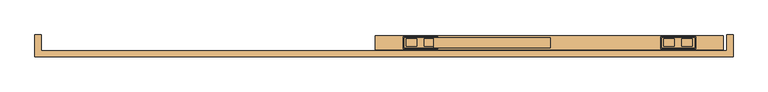
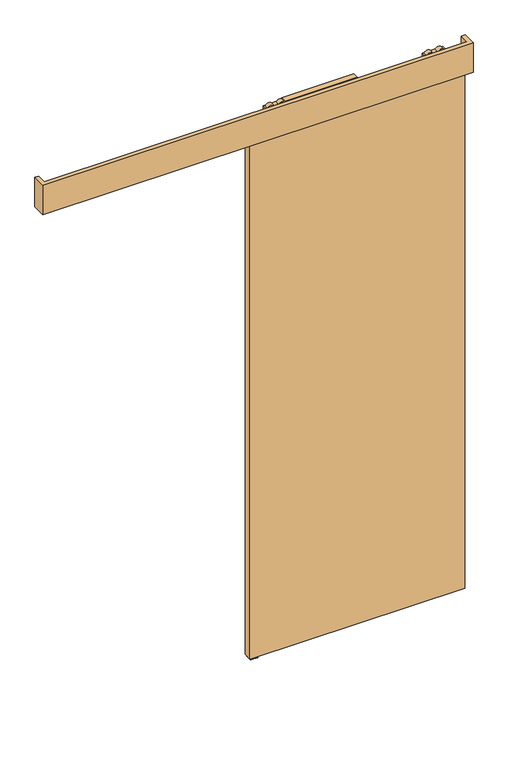
"""IFC4 building model written with IfcOpenShell, lengths in millimetres: door geometry."""

from ifc_helpers import new_model, si_unit, point, frame, frame_2d, origin, place, context, project, spatial, polyline, circle_curve, trimmed, segment, composite_curve, outline, extrude, source, transform, mapped, element, save
from ifc_brep_helpers import plane_surface, cylinder_surface, advanced_brep


def door_c511d9e0(model_context):
    return source(origin(), model_context, "Body", "SolidModel", [
        extrude(outline(polyline([(2696.7, 550.45), (2696.7, 214.75), (2669.7, 214.75), (2669.7, 220.35), (2694.7, 220.35), (2694.7, 225.0), (2664.6, 225.0), (2664.6, 550.45), (2696.7, 550.45)])), frame((0.0, -14.7425737, 0.0), z_axis=(0.0, 1.0, 0.0), x_axis=(0.0, 0.0, 1.0)), (0.0, 0.0, 1.0), 29.0),
        advanced_brep(
        [(130.0, 14.2574263, 2687.3), (130.0, -14.7425737, 2687.3), (225.0, -14.7425737, 2687.3), (225.0, 14.2574263, 2687.3), (187.927668, -10.9457536, 2687.3), (187.927668, 10.4606061, 2687.3), (218.21694, 10.4606061, 2687.3), (218.21694, -10.9457536, 2687.3), (136.78306, -10.9457536, 2687.3), (136.78306, 10.4606061, 2687.3), (167.072332, 10.4606061, 2687.3), (167.072332, -10.9457536, 2687.3), (130.0, 14.2574263, 2672.3), (225.0, 14.2574263, 2672.3), (225.0, -14.7425737, 2672.3), (130.0, -14.7425737, 2672.3), (218.21694, -10.9457536, 2672.3), (218.21694, 10.4606061, 2672.3), (187.927668, 10.4606061, 2672.3), (187.927668, -10.9457536, 2672.3), (167.072332, -10.9457536, 2672.3), (167.072332, 10.4606061, 2672.3), (136.78306, 10.4606061, 2672.3), (136.78306, -10.9457536, 2672.3), (182.45, -0.5, 2672.3), (172.55, -0.5, 2672.3), (182.45, -0.5, 2653.8), (172.55, -0.5, 2653.8)],
        [
            (0, 1),
            (1, 2),
            (2, 3),
            (3, 0),
            (4, 5),
            (5, 6),
            (6, 7),
            (7, 4),
            (8, 9),
            (9, 10),
            (10, 11),
            (11, 8),
            (12, 13),
            (13, 14),
            (14, 15),
            (15, 12),
            (16, 17),
            (17, 18),
            (18, 19),
            (19, 16),
            (20, 21),
            (21, 22),
            (22, 23),
            (23, 20),
            (24, 25, circle_curve(frame((177.5, -0.5, 2672.3), z_axis=(0.0, 0.0, 1.0), x_axis=(-1.0, 0.0, 0.0)), 4.95)),
            (25, 24, circle_curve(frame((177.5, -0.5, 2672.3), z_axis=(0.0, 0.0, 1.0), x_axis=(-1.0, 0.0, 0.0)), 4.95)),
            (3, 13),
            (12, 0),
            (2, 14),
            (1, 15),
            (7, 4, circle_curve(frame((203.072304, -10.9457536, 2679.8), z_axis=(0.0, -1.0, 0.0), x_axis=(-1.0, 0.0, 0.0)), 16.9)),
            (19, 16, circle_curve(frame((203.072304, -10.9457536, 2679.8), z_axis=(0.0, -1.0, 0.0), x_axis=(-1.0, 0.0, 0.0)), 16.9)),
            (5, 6, circle_curve(frame((203.072304, 10.4606061, 2679.8), z_axis=(0.0, 1.0, 0.0), x_axis=(-1.0, 0.0, 0.0)), 16.9)),
            (17, 18, circle_curve(frame((203.072304, 10.4606061, 2679.8), z_axis=(0.0, 1.0, 0.0), x_axis=(-1.0, 0.0, 0.0)), 16.9)),
            (11, 8, circle_curve(frame((151.927696, -10.9457536, 2679.8), z_axis=(0.0, -1.0, 0.0), x_axis=(1.0, 0.0, 0.0)), 16.9)),
            (23, 20, circle_curve(frame((151.927696, -10.9457536, 2679.8), z_axis=(0.0, -1.0, 0.0), x_axis=(1.0, 0.0, 0.0)), 16.9)),
            (9, 10, circle_curve(frame((151.927696, 10.4606061, 2679.8), z_axis=(0.0, 1.0, 0.0), x_axis=(1.0, 0.0, 0.0)), 16.9)),
            (21, 22, circle_curve(frame((151.927696, 10.4606061, 2679.8), z_axis=(0.0, 1.0, 0.0), x_axis=(1.0, 0.0, 0.0)), 16.9)),
            (26, 27, circle_curve(frame((177.5, -0.5, 2653.8), z_axis=(0.0, 0.0, -1.0), x_axis=(-1.0, 0.0, 0.0)), 4.95)),
            (27, 26, circle_curve(frame((177.5, -0.5, 2653.8), z_axis=(0.0, 0.0, -1.0), x_axis=(-1.0, 0.0, 0.0)), 4.95)),
            (26, 24),
            (25, 27),
        ],
        [
            plane_surface(frame((225.0, 14.2574263, 2687.3), z_axis=(0.0, 0.0, 1.0), x_axis=(1.0, 0.0, 0.0))),
            plane_surface(frame((225.0, 14.2574263, 2672.3), z_axis=(0.0, 0.0, -1.0), x_axis=(-1.0, 0.0, 0.0))),
            plane_surface(frame((130.0, 14.2574263, 2687.3), z_axis=(0.0, 1.0, 0.0), x_axis=(0.0, 0.0, -1.0))),
            plane_surface(frame((225.0, 14.2574263, 2687.3), z_axis=(1.0, 0.0, 0.0), x_axis=(0.0, 0.0, -1.0))),
            plane_surface(frame((225.0, -14.7425737, 2687.3), z_axis=(0.0, -1.0, 0.0), x_axis=(0.0, 0.0, -1.0))),
            plane_surface(frame((130.0, -14.7425737, 2687.3), z_axis=(-1.0, 0.0, 0.0), x_axis=(0.0, 0.0, -1.0))),
            plane_surface(frame((186.172304, -10.9457536, 2679.8), z_axis=(0.0, -1.0, 0.0), x_axis=(0.0, 0.0, 1.0))),
            plane_surface(frame((186.172304, 10.4606061, 2679.8), z_axis=(0.0, 1.0, 0.0), x_axis=(0.0, 0.0, -1.0))),
            cylinder_surface(frame((203.072304, 10.4606061, 2679.8), z_axis=(0.0, -1.0, 0.0), x_axis=(-1.0, 0.0, 0.0)), 16.9),
            plane_surface(frame((168.827696, -10.9457536, 2679.8), z_axis=(0.0, -1.0, 0.0), x_axis=(0.0, 0.0, -1.0))),
            plane_surface(frame((168.827696, 10.4606061, 2679.8), z_axis=(0.0, 1.0, 0.0), x_axis=(0.0, 0.0, 1.0))),
            cylinder_surface(frame((151.927696, 10.4606061, 2679.8), z_axis=(0.0, -1.0, 0.0), x_axis=(1.0, 0.0, 0.0)), 16.9),
            plane_surface(frame((172.55, -0.5, 2653.8), z_axis=(0.0, 0.0, -1.0), x_axis=(0.0, -1.0, 0.0))),
            cylinder_surface(frame((177.5, -0.5, 2653.8), z_axis=(0.0, 0.0, 1.0), x_axis=(-1.0, 0.0, 0.0)), 4.95),
        ],
        [
            (0, [[1, 2, 3, 4], [5, 6, 7, 8], [9, 10, 11, 12]]),
            (1, [[13, 14, 15, 16], [17, 18, 19, 20], [21, 22, 23, 24], [25, 26]]),
            (2, [[27, -13, 28, -4]]),
            (3, [[29, -14, -27, -3]]),
            (4, [[30, -15, -29, -2]]),
            (5, [[-28, -16, -30, -1]]),
            (6, [[-8, 31]]),
            (6, [[-20, 32]]),
            (7, [[-6, 33]]),
            (7, [[-18, 34]]),
            (8, [[-19, -34, -17, -32]]),
            (8, [[-7, -33, -5, -31]]),
            (9, [[-12, 35]]),
            (9, [[-24, 36]]),
            (10, [[-10, 37]]),
            (10, [[-22, 38]]),
            (11, [[-23, -38, -21, -36]]),
            (11, [[-11, -37, -9, -35]]),
            (12, [[39, 40]]),
            (13, [[41, -26, 42, -39]]),
            (13, [[-42, -25, -41, -40]]),
        ],
    ),
        extrude(outline(composite_curve([segment(trimmed(circle_curve(frame_2d((177.4999644, -0.1875)), 12.254021), [point((189.7539853, -0.1875))], [point((165.2459434, -0.1875))], False, "CARTESIAN"), True, "CONTINUOUS"), segment(trimmed(circle_curve(frame_2d((177.4999644, -0.1875)), 12.254021), [point((165.2459434, -0.1875))], [point((189.7539853, -0.1875))], False, "CARTESIAN"), True, "CONTINUOUS")], self_intersect=False)), frame((0.0, 0.0, 2645.0), z_axis=(0.0, 0.0, 1.0), x_axis=(1.0, 0.0, 0.0)), (0.0, 0.0, 1.0), 8.8),
        extrude(outline(polyline([(2631.0, 127.5), (2631.0, 227.5), (2634.8, 227.5), (2645.0, 189.75), (2645.0, 165.25), (2634.8, 127.5), (2631.0, 127.5)])), frame((0.0, -17.7425737, 0.0), z_axis=(0.0, 1.0, 0.0), x_axis=(0.0, 0.0, 1.0)), (0.0, 0.0, 1.0), 35.0),
        advanced_brep(
        [(965.0, 14.2574263, 2687.3), (870.0, 14.2574263, 2687.3), (870.0, -14.7425737, 2687.3), (965.0, -14.7425737, 2687.3), (907.072332, -10.9457536, 2687.3), (876.78306, -10.9457536, 2687.3), (876.78306, 10.4606061, 2687.3), (907.072332, 10.4606061, 2687.3), (958.21694, -10.9457536, 2687.3), (927.927668, -10.9457536, 2687.3), (927.927668, 10.4606061, 2687.3), (958.21694, 10.4606061, 2687.3), (965.0, 14.2574263, 2672.3), (965.0, -14.7425737, 2672.3), (870.0, -14.7425737, 2672.3), (870.0, 14.2574263, 2672.3), (876.78306, -10.9457536, 2672.3), (907.072332, -10.9457536, 2672.3), (907.072332, 10.4606061, 2672.3), (876.78306, 10.4606061, 2672.3), (927.927668, -10.9457536, 2672.3), (958.21694, -10.9457536, 2672.3), (958.21694, 10.4606061, 2672.3), (927.927668, 10.4606061, 2672.3), (912.55, -0.5, 2672.3), (922.45, -0.5, 2672.3), (912.55, -0.5, 2653.8), (922.45, -0.5, 2653.8)],
        [
            (0, 1),
            (1, 2),
            (2, 3),
            (3, 0),
            (4, 5),
            (5, 6),
            (6, 7),
            (7, 4),
            (8, 9),
            (9, 10),
            (10, 11),
            (11, 8),
            (12, 13),
            (13, 14),
            (14, 15),
            (15, 12),
            (16, 17),
            (17, 18),
            (18, 19),
            (19, 16),
            (20, 21),
            (21, 22),
            (22, 23),
            (23, 20),
            (24, 25, circle_curve(frame((917.5, -0.5, 2672.3), z_axis=(0.0, 0.0, 1.0), x_axis=(1.0, 0.0, 0.0)), 4.95)),
            (25, 24, circle_curve(frame((917.5, -0.5, 2672.3), z_axis=(0.0, 0.0, 1.0), x_axis=(1.0, 0.0, 0.0)), 4.95)),
            (0, 12),
            (15, 1),
            (14, 2),
            (13, 3),
            (16, 17, circle_curve(frame((891.927696, -10.9457536, 2679.8), z_axis=(0.0, -1.0, 0.0), x_axis=(1.0, 0.0, 0.0)), 16.9)),
            (4, 5, circle_curve(frame((891.927696, -10.9457536, 2679.8), z_axis=(0.0, -1.0, 0.0), x_axis=(1.0, 0.0, 0.0)), 16.9)),
            (6, 7, circle_curve(frame((891.927696, 10.4606061, 2679.8), z_axis=(0.0, 1.0, 0.0), x_axis=(1.0, 0.0, 0.0)), 16.9)),
            (18, 19, circle_curve(frame((891.927696, 10.4606061, 2679.8), z_axis=(0.0, 1.0, 0.0), x_axis=(1.0, 0.0, 0.0)), 16.9)),
            (8, 9, circle_curve(frame((943.072304, -10.9457536, 2679.8), z_axis=(0.0, -1.0, 0.0), x_axis=(-1.0, 0.0, 0.0)), 16.9)),
            (20, 21, circle_curve(frame((943.072304, -10.9457536, 2679.8), z_axis=(0.0, -1.0, 0.0), x_axis=(-1.0, 0.0, 0.0)), 16.9)),
            (22, 23, circle_curve(frame((943.072304, 10.4606061, 2679.8), z_axis=(0.0, 1.0, 0.0), x_axis=(-1.0, 0.0, 0.0)), 16.9)),
            (10, 11, circle_curve(frame((943.072304, 10.4606061, 2679.8), z_axis=(0.0, 1.0, 0.0), x_axis=(-1.0, 0.0, 0.0)), 16.9)),
            (26, 27, circle_curve(frame((917.5, -0.5, 2653.8), z_axis=(0.0, 0.0, -1.0), x_axis=(1.0, 0.0, 0.0)), 4.95)),
            (27, 26, circle_curve(frame((917.5, -0.5, 2653.8), z_axis=(0.0, 0.0, -1.0), x_axis=(1.0, 0.0, 0.0)), 4.95)),
            (27, 25),
            (24, 26),
        ],
        [
            plane_surface(frame((870.0, 14.2574263, 2687.3), z_axis=(0.0, 0.0, 1.0), x_axis=(-1.0, 0.0, 0.0))),
            plane_surface(frame((870.0, 14.2574263, 2672.3), z_axis=(0.0, 0.0, -1.0), x_axis=(1.0, 0.0, 0.0))),
            plane_surface(frame((965.0, 14.2574263, 2687.3), z_axis=(0.0, 1.0, 0.0), x_axis=(0.0, 0.0, -1.0))),
            plane_surface(frame((870.0, 14.2574263, 2687.3), z_axis=(-1.0, 0.0, 0.0), x_axis=(0.0, 0.0, -1.0))),
            plane_surface(frame((870.0, -14.7425737, 2687.3), z_axis=(0.0, -1.0, 0.0), x_axis=(0.0, 0.0, -1.0))),
            plane_surface(frame((965.0, -14.7425737, 2687.3), z_axis=(1.0, 0.0, 0.0), x_axis=(0.0, 0.0, -1.0))),
            plane_surface(frame((908.827696, -10.9457536, 2679.8), z_axis=(0.0, -1.0, 0.0), x_axis=(0.0, 0.0, 1.0))),
            plane_surface(frame((908.827696, 10.4606061, 2679.8), z_axis=(0.0, 1.0, 0.0), x_axis=(0.0, 0.0, -1.0))),
            cylinder_surface(frame((891.927696, 10.4606061, 2679.8), z_axis=(0.0, -1.0, 0.0), x_axis=(1.0, 0.0, 0.0)), 16.9),
            plane_surface(frame((926.172304, -10.9457536, 2679.8), z_axis=(0.0, -1.0, 0.0), x_axis=(0.0, 0.0, -1.0))),
            plane_surface(frame((926.172304, 10.4606061, 2679.8), z_axis=(0.0, 1.0, 0.0), x_axis=(0.0, 0.0, 1.0))),
            cylinder_surface(frame((943.072304, 10.4606061, 2679.8), z_axis=(0.0, -1.0, 0.0), x_axis=(-1.0, 0.0, 0.0)), 16.9),
            plane_surface(frame((922.45, -0.5, 2653.8), z_axis=(0.0, 0.0, -1.0), x_axis=(0.0, -1.0, 0.0))),
            cylinder_surface(frame((917.5, -0.5, 2653.8), z_axis=(0.0, 0.0, 1.0), x_axis=(1.0, 0.0, 0.0)), 4.95),
        ],
        [
            (0, [[1, 2, 3, 4], [5, 6, 7, 8], [9, 10, 11, 12]]),
            (1, [[13, 14, 15, 16], [17, 18, 19, 20], [21, 22, 23, 24], [25, 26]]),
            (2, [[-1, 27, -16, 28]]),
            (3, [[-2, -28, -15, 29]]),
            (4, [[-3, -29, -14, 30]]),
            (5, [[-4, -30, -13, -27]]),
            (6, [[31, -17]]),
            (6, [[32, -5]]),
            (7, [[33, -7]]),
            (7, [[34, -19]]),
            (8, [[-31, -20, -34, -18]]),
            (8, [[-32, -8, -33, -6]]),
            (9, [[35, -9]]),
            (9, [[36, -21]]),
            (10, [[37, -23]]),
            (10, [[38, -11]]),
            (11, [[-36, -24, -37, -22]]),
            (11, [[-35, -12, -38, -10]]),
            (12, [[39, 40]]),
            (13, [[-40, 41, -25, 42]]),
            (13, [[-39, -42, -26, -41]]),
        ],
    ),
        extrude(outline(composite_curve([segment(trimmed(circle_curve(frame_2d((917.5000356, -0.1875)), 12.254021), [point((905.2460147, -0.1875))], [point((929.7540566, -0.1875))], False, "CARTESIAN"), True, "CONTINUOUS"), segment(trimmed(circle_curve(frame_2d((917.5000356, -0.1875)), 12.254021), [point((929.7540566, -0.1875))], [point((905.2460147, -0.1875))], False, "CARTESIAN"), True, "CONTINUOUS")], self_intersect=False)), frame((0.0, 0.0, 2645.0), z_axis=(0.0, 0.0, 1.0), x_axis=(1.0, 0.0, 0.0)), (0.0, 0.0, 1.0), 8.8),
        extrude(outline(polyline([(2631.0, 967.5), (2634.8, 967.5), (2645.0, 929.75), (2645.0, 905.25), (2634.8, 867.5), (2631.0, 867.5), (2631.0, 967.5)])), frame((0.0, -17.7425737, 0.0), z_axis=(0.0, 1.0, 0.0), x_axis=(0.0, 0.0, 1.0)), (0.0, 0.0, 1.0), 35.0),
        extrude(outline(polyline([(47.5, 19.5), (1047.5, 19.5), (1047.5, -20.5), (47.5, -20.5), (47.5, 19.5)])), frame((0.0, 0.0, 10.0), z_axis=(0.0, 0.0, 1.0), x_axis=(1.0, 0.0, 0.0)), (0.0, 0.0, 1.0), 2621.0),
        extrude(outline(polyline([(-930.5, 22.0), (-912.5, 22.0), (-912.5, -23.0), (1057.5, -23.0), (1057.5, 22.0), (1075.5, 22.0), (1075.5, -41.0), (-930.5, -41.0), (-930.5, 22.0)])), frame((0.0, 0.0, 2555.0), z_axis=(0.0, 0.0, 1.0), x_axis=(1.0, 0.0, 0.0)), (0.0, 0.0, 1.0), 145.0),
        extrude(outline(polyline([(15.3483682, 2.0), (15.3483682, 0.0), (-14.5, 0.0), (-14.5, 2.0), (-2.6516318, 2.0), (-2.6516318, 26.0), (1.6516318, 26.0), (1.6516318, 2.0), (15.3483682, 2.0)])), frame((52.5, 0.0, 0.0), z_axis=(1.0, 0.0, 0.0), x_axis=(0.0, 1.0, 0.0)), (0.0, 0.0, 1.0), 35.0),
    ])


if __name__ == "__main__":
    model = new_model("IFC4")
    model_context = context("Model", 3, world=origin())
    ifc_project = project(units=[si_unit("LENGTHUNIT", "METRE", prefix="MILLI")], contexts=[model_context])
    site = spatial("IfcSite", under=ifc_project)
    building = spatial("IfcBuilding", under=site)
    placement = place(None, origin())
    door_shape = door_c511d9e0(model_context)
    element("IfcDoor", 1, at=placement, inside=building, context=model_context, shape_type="MappedRepresentation", body=[
        mapped(door_shape, transform((0.0, 0.0, 0.0), x_axis=(1.0, 0.0, 0.0), y_axis=(0.0, 1.0, 0.0), z_axis=(0.0, 0.0, 1.0))),
    ])
    save(model, "model.ifc")
